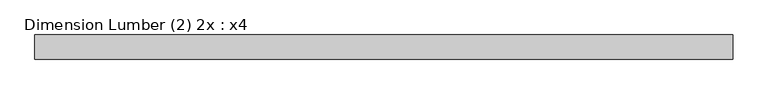
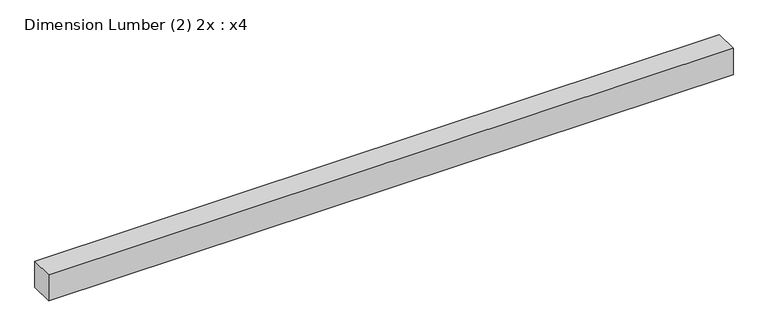
"""IFC4 building model written with IfcOpenShell, lengths in millimetres: beam geometry, Dimension Lumber (2) 2x : x4."""

from ifc_helpers import new_model, si_unit, frame, origin, place, context, project, spatial, polyline, outline, extrude, source, transform, mapped, element, save


def dimension_lumber_2_2x_x4_f4553373(model_context):
    return source(origin(), model_context, "Body", "SweptSolid", [
        extrude(outline(polyline([(1102.2571394, 38.1), (1102.2571394, -38.1), (-1102.2571394, -38.1), (-1102.2571394, 38.1), (1102.2571394, 38.1)])), frame((0.0, 0.0, -44.45), z_axis=(0.0, 0.0, 1.0), x_axis=(1.0, 0.0, 0.0)), (0.0, 0.0, 1.0), 88.9),
    ])


if __name__ == "__main__":
    model = new_model("IFC4")
    model_context = context("Model", 3, world=origin())
    ifc_project = project(units=[si_unit("LENGTHUNIT", "METRE", prefix="MILLI")], contexts=[model_context])
    site = spatial("IfcSite", under=ifc_project)
    building = spatial("IfcBuilding", under=site)
    placement = place(None, origin())
    dimension_lumber_2_2x_x4_shape = dimension_lumber_2_2x_x4_f4553373(model_context)
    element("IfcBeam", 1, ObjectType="Dimension Lumber (2) 2x : x4", at=placement, inside=building, context=model_context, shape_type="MappedRepresentation", body=[
        mapped(dimension_lumber_2_2x_x4_shape, transform((0.0, 0.0, 0.0), x_axis=(1.0, 0.0, 0.0), y_axis=(0.0, 1.0, 0.0), z_axis=(0.0, 0.0, 1.0))),
    ])
    save(model, "model.ifc")
